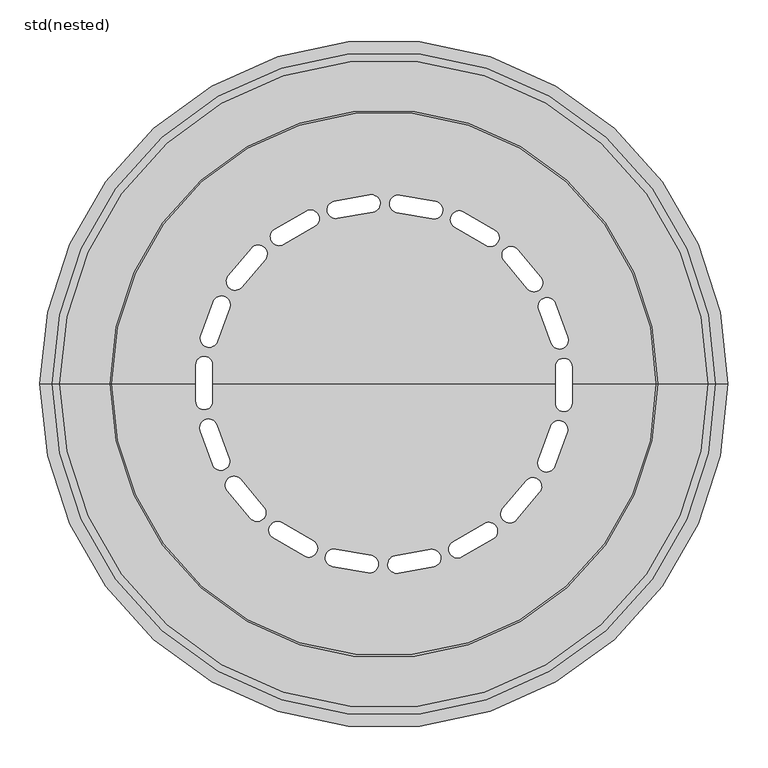
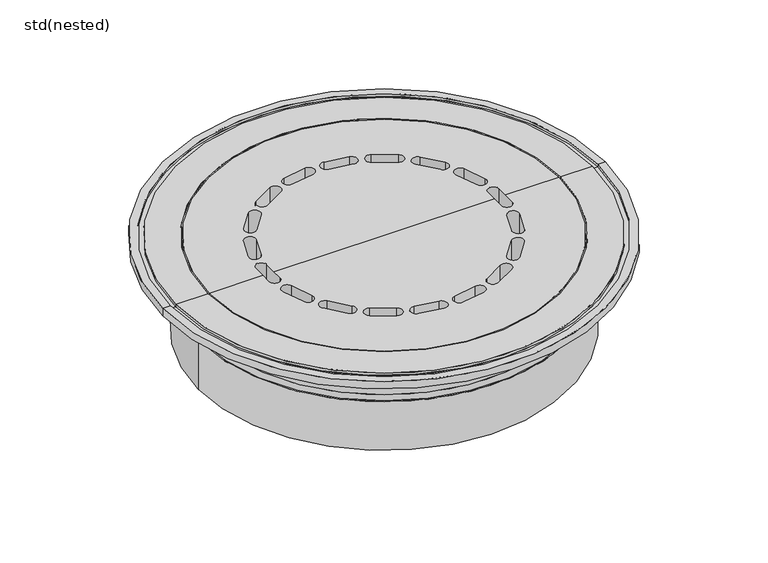
"""IFC4 building model written with IfcOpenShell, lengths in millimetres: sanitary terminal geometry, std(nested)."""

from ifc_helpers import new_model, si_unit, frame, origin, place, context, project, spatial, polyline, circle_curve, source, transform, mapped, element, save
from ifc_brep_helpers import plane_surface, cylinder_surface, revolved_surface, advanced_brep


def std_nested_5d9bacd1(model_context):
    return source(origin(), model_context, "Body", "AdvancedBrep", [
        advanced_brep(
        [(302.5, 0.0, -50.0), (-302.5, 0.0, -50.0), (-340.0, 0.0, -50.0), (340.0, 0.0, -50.0), (302.5, 0.0, -94.7677946), (-302.5, 0.0, -94.7677946), (235.8458576, 0.0, -94.7677946), (235.8458576, 21.356506, -94.7677946), (213.8458576, 21.356506, -94.7677946), (213.8458576, 0.0, -94.7677946), (0.0, 0.0, -94.7677946), (-213.8458576, 0.0, -94.7677946), (-213.8458576, 23.643494, -94.7677946), (-235.8458576, 23.643494, -94.7677946), (-235.8458576, 0.0, -94.7677946), (-17.6699072, 236.3684787, -94.7677946), (-61.9862561, 228.5543107, -94.7677946), (-58.1659962, 206.8885402, -94.7677946), (-13.8496473, 214.7027082, -94.7677946), (-97.4470624, 216.0702511, -94.7677946), (-136.4182055, 193.5702511, -94.7677946), (-125.4182055, 174.5176922, -94.7677946), (-86.4470624, 197.0176922, -94.7677946), (-165.4706637, 169.7107623, -94.7677946), (-194.3961061, 135.2387623, -94.7677946), (-177.5431283, 121.0974349, -94.7677946), (-148.6176859, 155.5694348, -94.7677946), (-213.5360608, 102.8816509, -94.7677946), (-228.9269673, 60.5954829, -94.7677946), (-208.2537296, 53.0710398, -94.7677946), (-192.8628232, 95.3572077, -94.7677946), (229.7091632, 58.4464172, -94.7677946), (214.3182568, 100.7325851, -94.7677946), (193.6450191, 93.208142, -94.7677946), (209.0359256, 50.921974, -94.7677946), (195.8661536, 133.4868279, -94.7677946), (166.9407112, 167.9588278, -94.7677946), (150.0877335, 153.8175004, -94.7677946), (179.0131759, 119.3455005, -94.7677946), (138.3987952, 192.4267571, -94.7677946), (99.4276521, 214.9267571, -94.7677946), (88.4276521, 195.8741982, -94.7677946), (127.3987952, 173.3741982, -94.7677946), (64.2384996, 228.1571794, -94.7677946), (19.9221507, 235.9713474, -94.7677946), (16.1018908, 214.3055769, -94.7677946), (60.4182397, 206.4914089, -94.7677946), (-235.8458576, -21.356506, -94.7677946), (-213.8458576, -21.356506, -94.7677946), (213.8458576, -23.643494, -94.7677946), (235.8458576, -23.643494, -94.7677946), (-229.7091632, -58.4464172, -94.7677946), (-214.3182568, -100.7325851, -94.7677946), (-193.6450191, -93.208142, -94.7677946), (-209.0359256, -50.921974, -94.7677946), (-195.8661536, -133.4868279, -94.7677946), (-166.9407112, -167.9588278, -94.7677946), (-150.0877335, -153.8175004, -94.7677946), (-179.0131759, -119.3455005, -94.7677946), (-138.3987952, -192.4267571, -94.7677946), (-99.4276521, -214.9267571, -94.7677946), (-88.4276521, -195.8741982, -94.7677946), (-127.3987952, -173.3741982, -94.7677946), (-64.2384996, -228.1571794, -94.7677946), (-19.9221507, -235.9713474, -94.7677946), (-16.1018908, -214.3055769, -94.7677946), (-60.4182397, -206.4914089, -94.7677946), (17.6699072, -236.3684787, -94.7677946), (61.9862561, -228.5543107, -94.7677946), (58.1659962, -206.8885402, -94.7677946), (13.8496473, -214.7027082, -94.7677946), (97.4470624, -216.0702511, -94.7677946), (136.4182055, -193.5702511, -94.7677946), (125.4182055, -174.5176922, -94.7677946), (86.4470624, -197.0176922, -94.7677946), (165.4706637, -169.7107623, -94.7677946), (194.3961061, -135.2387623, -94.7677946), (177.5431283, -121.0974349, -94.7677946), (148.6176859, -155.5694348, -94.7677946), (213.5360608, -102.8816509, -94.7677946), (228.9269673, -60.5954829, -94.7677946), (208.2537296, -53.0710398, -94.7677946), (192.8628232, -95.3572077, -94.7677946), (340.0, 0.0, 0.0), (-340.0, 0.0, 0.0), (-235.8458576, 0.0, 0.0), (-235.8458576, 23.643494, 0.0), (-213.8458576, 23.643494, 0.0), (-213.8458576, 0.0, 0.0), (0.0, 0.0, 0.0), (213.8458576, 0.0, 0.0), (213.8458576, 21.356506, 0.0), (235.8458576, 21.356506, 0.0), (235.8458576, 0.0, 0.0), (-61.9862561, 228.5543107, 0.0), (-17.6699072, 236.3684787, 0.0), (-13.8496473, 214.7027082, 0.0), (-58.1659962, 206.8885402, 0.0), (-136.4182055, 193.5702511, 0.0), (-97.4470624, 216.0702511, 0.0), (-86.4470624, 197.0176922, 0.0), (-125.4182055, 174.5176922, 0.0), (-194.3961061, 135.2387623, 0.0), (-165.4706637, 169.7107623, 0.0), (-148.6176859, 155.5694348, 0.0), (-177.5431283, 121.0974349, 0.0), (-228.9269673, 60.5954829, 0.0), (-213.5360608, 102.8816509, 0.0), (-192.8628232, 95.3572077, 0.0), (-208.2537296, 53.0710398, 0.0), (214.3182568, 100.7325851, 0.0), (229.7091632, 58.4464172, 0.0), (209.0359256, 50.921974, 0.0), (193.6450191, 93.208142, 0.0), (166.9407112, 167.9588278, 0.0), (195.8661536, 133.4868279, 0.0), (179.0131759, 119.3455005, 0.0), (150.0877335, 153.8175004, 0.0), (99.4276521, 214.9267571, 0.0), (138.3987952, 192.4267571, 0.0), (127.3987952, 173.3741982, 0.0), (88.4276521, 195.8741982, 0.0), (19.9221507, 235.9713474, 0.0), (64.2384996, 228.1571794, 0.0), (60.4182397, 206.4914089, 0.0), (16.1018908, 214.3055769, 0.0), (235.8458576, -23.643494, 0.0), (213.8458576, -23.643494, 0.0), (-213.8458576, -21.356506, 0.0), (-235.8458576, -21.356506, 0.0), (-214.3182568, -100.7325851, 0.0), (-229.7091632, -58.4464172, 0.0), (-209.0359256, -50.921974, 0.0), (-193.6450191, -93.208142, 0.0), (-166.9407112, -167.9588278, 0.0), (-195.8661536, -133.4868279, 0.0), (-179.0131759, -119.3455005, 0.0), (-150.0877335, -153.8175004, 0.0), (-99.4276521, -214.9267571, 0.0), (-138.3987952, -192.4267571, 0.0), (-127.3987952, -173.3741982, 0.0), (-88.4276521, -195.8741982, 0.0), (-19.9221507, -235.9713474, 0.0), (-64.2384996, -228.1571794, 0.0), (-60.4182397, -206.4914089, 0.0), (-16.1018908, -214.3055769, 0.0), (61.9862561, -228.5543107, 0.0), (17.6699072, -236.3684787, 0.0), (13.8496473, -214.7027082, 0.0), (58.1659962, -206.8885402, 0.0), (136.4182055, -193.5702511, 0.0), (97.4470624, -216.0702511, 0.0), (86.4470624, -197.0176922, 0.0), (125.4182055, -174.5176922, 0.0), (194.3961061, -135.2387623, 0.0), (165.4706637, -169.7107623, 0.0), (148.6176859, -155.5694348, 0.0), (177.5431283, -121.0974349, 0.0), (228.9269673, -60.5954829, 0.0), (213.5360608, -102.8816509, 0.0), (192.8628232, -95.3572077, 0.0), (208.2537296, -53.0710398, 0.0)],
        [
            (0, 1, circle_curve(frame((0.0, 0.0, -50.0), z_axis=(0.0, 0.0, 1.0), x_axis=(-1.0, 0.0, 0.0)), 302.5)),
            (1, 2),
            (2, 3, circle_curve(frame((0.0, 0.0, -50.0), z_axis=(0.0, 0.0, -1.0), x_axis=(-1.0, 0.0, 0.0)), 340.0)),
            (3, 0),
            (1, 0, circle_curve(frame((0.0, 0.0, -50.0), z_axis=(0.0, 0.0, 1.0), x_axis=(-1.0, 0.0, 0.0)), 302.5)),
            (3, 2, circle_curve(frame((0.0, 0.0, -50.0), z_axis=(0.0, 0.0, -1.0), x_axis=(-1.0, 0.0, 0.0)), 340.0)),
            (0, 4),
            (4, 5, circle_curve(frame((0.0, 0.0, -94.7677946), z_axis=(0.0, 0.0, 1.0), x_axis=(-1.0, 0.0, 0.0)), 302.5)),
            (5, 1),
            (5, 4, circle_curve(frame((0.0, 0.0, -94.7677946), z_axis=(0.0, 0.0, 1.0), x_axis=(-1.0, 0.0, 0.0)), 302.5)),
            (4, 6),
            (6, 7),
            (7, 8, circle_curve(frame((224.8458576, 21.356506, -94.7677946), z_axis=(0.0, 0.0, 1.0), x_axis=(0.5000000000000374, 0.8660254037844171, 0.0)), 11.0)),
            (8, 9),
            (9, 10),
            (10, 11),
            (11, 12),
            (12, 13, circle_curve(frame((-224.8458576, 23.643494, -94.7677946), z_axis=(0.0, 0.0, 1.0), x_axis=(-0.5000000000000231, -0.8660254037844253, 0.0)), 11.0)),
            (13, 14),
            (14, 5),
            (15, 16),
            (16, 17, circle_curve(frame((-60.0761261, 217.7214254, -94.7677946), z_axis=(0.0, 0.0, 1.0), x_axis=(-0.9396926207858995, 0.34202014332569325, 0.0)), 11.0)),
            (17, 18),
            (18, 15, circle_curve(frame((-15.7597772, 225.5355934, -94.7677946), z_axis=(0.0, 0.0, 1.0), x_axis=(-0.9396926207858995, 0.34202014332569325, 0.0)), 11.0)),
            (19, 20),
            (20, 21, circle_curve(frame((-130.9182055, 184.0439716, -94.7677946), z_axis=(0.0, 0.0, 1.0), x_axis=(-1.0, 0.0, 0.0)), 11.0)),
            (21, 22),
            (22, 19, circle_curve(frame((-91.9470624, 206.5439716, -94.7677946), z_axis=(0.0, 0.0, 1.0), x_axis=(-1.0, 0.0, 0.0)), 11.0)),
            (23, 24),
            (24, 25, circle_curve(frame((-185.9696172, 128.1680986, -94.7677946), z_axis=(0.0, 0.0, 1.0), x_axis=(-0.9396926207859174, -0.34202014332564423, 0.0)), 11.0)),
            (25, 26),
            (26, 23, circle_curve(frame((-157.0441748, 162.6400985, -94.7677946), z_axis=(0.0, 0.0, 1.0), x_axis=(-0.9396926207859174, -0.34202014332564423, 0.0)), 11.0)),
            (27, 28),
            (28, 29, circle_curve(frame((-218.5903484, 56.8332613, -94.7677946), z_axis=(0.0, 0.0, 1.0), x_axis=(-0.7660444431189948, -0.6427876096865193, 0.0)), 11.0)),
            (29, 30),
            (30, 27, circle_curve(frame((-203.199442, 99.1194293, -94.7677946), z_axis=(0.0, 0.0, 1.0), x_axis=(-0.7660444431189948, -0.6427876096865193, 0.0)), 11.0)),
            (31, 32),
            (32, 33, circle_curve(frame((203.981638, 96.9703635, -94.7677946), z_axis=(0.0, 0.0, 1.0), x_axis=(0.17364817766697244, 0.9848077530122008, 0.0)), 11.0)),
            (33, 34),
            (34, 31, circle_curve(frame((219.3725444, 54.6841956, -94.7677946), z_axis=(0.0, 0.0, 1.0), x_axis=(0.17364817766697244, 0.9848077530122008, 0.0)), 11.0)),
            (35, 36),
            (36, 37, circle_curve(frame((158.5142223, 160.8881641, -94.7677946), z_axis=(0.0, 0.0, 1.0), x_axis=(-0.17364817766688778, 0.9848077530122157, 0.0)), 11.0)),
            (37, 38),
            (38, 35, circle_curve(frame((187.4396648, 126.4161642, -94.7677946), z_axis=(0.0, 0.0, 1.0), x_axis=(-0.17364817766688778, 0.9848077530122157, 0.0)), 11.0)),
            (39, 40),
            (40, 41, circle_curve(frame((93.9276521, 205.4004776, -94.7677946), z_axis=(0.0, 0.0, 1.0), x_axis=(-0.4999999999999623, 0.8660254037844604, 0.0)), 11.0)),
            (41, 42),
            (42, 39, circle_curve(frame((132.8987952, 182.9004776, -94.7677946), z_axis=(0.0, 0.0, 1.0), x_axis=(-0.4999999999999623, 0.8660254037844604, 0.0)), 11.0)),
            (43, 44),
            (44, 45, circle_curve(frame((18.0120207, 225.1384621, -94.7677946), z_axis=(0.0, 0.0, 1.0), x_axis=(-0.766044443118958, 0.6427876096865633, 0.0)), 11.0)),
            (45, 46),
            (46, 43, circle_curve(frame((62.3283696, 217.3242941, -94.7677946), z_axis=(0.0, 0.0, 1.0), x_axis=(-0.766044443118958, 0.6427876096865633, 0.0)), 11.0)),
            (14, 47),
            (47, 48, circle_curve(frame((-224.8458576, -21.356506, -94.7677946), z_axis=(0.0, 0.0, 1.0), x_axis=(-0.5000000000000231, -0.8660254037844253, 0.0)), 11.0)),
            (48, 11),
            (9, 49),
            (49, 50, circle_curve(frame((224.8458576, -23.643494, -94.7677946), z_axis=(0.0, 0.0, 1.0), x_axis=(0.5000000000000374, 0.8660254037844171, 0.0)), 11.0)),
            (50, 6),
            (51, 52),
            (52, 53, circle_curve(frame((-203.981638, -96.9703635, -94.7677946), z_axis=(0.0, 0.0, 1.0), x_axis=(-0.1736481776669569, -0.9848077530122035, 0.0)), 11.0)),
            (53, 54),
            (54, 51, circle_curve(frame((-219.3725444, -54.6841956, -94.7677946), z_axis=(0.0, 0.0, 1.0), x_axis=(-0.1736481776669569, -0.9848077530122035, 0.0)), 11.0)),
            (55, 56),
            (56, 57, circle_curve(frame((-158.5142223, -160.8881641, -94.7677946), z_axis=(0.0, 0.0, 1.0), x_axis=(0.17364817766690338, -0.9848077530122129, 0.0)), 11.0)),
            (57, 58),
            (58, 55, circle_curve(frame((-187.4396648, -126.4161642, -94.7677946), z_axis=(0.0, 0.0, 1.0), x_axis=(0.17364817766690338, -0.9848077530122129, 0.0)), 11.0)),
            (59, 60),
            (60, 61, circle_curve(frame((-93.9276521, -205.4004776, -94.7677946), z_axis=(0.0, 0.0, 1.0), x_axis=(0.4999999999999759, -0.8660254037844527, 0.0)), 11.0)),
            (61, 62),
            (62, 59, circle_curve(frame((-132.8987952, -182.9004776, -94.7677946), z_axis=(0.0, 0.0, 1.0), x_axis=(0.4999999999999759, -0.8660254037844527, 0.0)), 11.0)),
            (63, 64),
            (64, 65, circle_curve(frame((-18.0120207, -225.1384621, -94.7677946), z_axis=(0.0, 0.0, 1.0), x_axis=(0.7660444431189559, -0.6427876096865658, 0.0)), 11.0)),
            (65, 66),
            (66, 63, circle_curve(frame((-62.3283696, -217.3242941, -94.7677946), z_axis=(0.0, 0.0, 1.0), x_axis=(0.7660444431189559, -0.6427876096865658, 0.0)), 11.0)),
            (67, 68),
            (68, 69, circle_curve(frame((60.0761261, -217.7214254, -94.7677946), z_axis=(0.0, 0.0, 1.0), x_axis=(0.9396926207858944, -0.34202014332570735, 0.0)), 11.0)),
            (69, 70),
            (70, 67, circle_curve(frame((15.7597772, -225.5355934, -94.7677946), z_axis=(0.0, 0.0, 1.0), x_axis=(0.9396926207858944, -0.34202014332570735, 0.0)), 11.0)),
            (71, 72),
            (72, 73, circle_curve(frame((130.9182055, -184.0439716, -94.7677946), z_axis=(0.0, 0.0, 1.0), x_axis=(1.0, 0.0, 0.0)), 11.0)),
            (73, 74),
            (74, 71, circle_curve(frame((91.9470624, -206.5439716, -94.7677946), z_axis=(0.0, 0.0, 1.0), x_axis=(1.0, 0.0, 0.0)), 11.0)),
            (75, 76),
            (76, 77, circle_curve(frame((185.9696172, -128.1680986, -94.7677946), z_axis=(0.0, 0.0, 1.0), x_axis=(0.939692620785923, 0.34202014332562886, 0.0)), 11.0)),
            (77, 78),
            (78, 75, circle_curve(frame((157.0441748, -162.6400985, -94.7677946), z_axis=(0.0, 0.0, 1.0), x_axis=(0.939692620785923, 0.34202014332562886, 0.0)), 11.0)),
            (79, 80),
            (80, 81, circle_curve(frame((218.5903484, -56.8332613, -94.7677946), z_axis=(0.0, 0.0, 1.0), x_axis=(0.766044443119005, 0.6427876096865074, 0.0)), 11.0)),
            (81, 82),
            (82, 79, circle_curve(frame((203.199442, -99.1194293, -94.7677946), z_axis=(0.0, 0.0, 1.0), x_axis=(0.766044443119005, 0.6427876096865074, 0.0)), 11.0)),
            (83, 84, circle_curve(frame((0.0, 0.0, 0.0), z_axis=(0.0, 0.0, 1.0), x_axis=(-1.0, 0.0, 0.0)), 340.0)),
            (84, 85),
            (85, 86),
            (86, 87, circle_curve(frame((-224.8458576, 23.643494, 0.0), z_axis=(0.0, 0.0, -1.0), x_axis=(-0.5000000000000231, -0.8660254037844253, 0.0)), 11.0)),
            (87, 88),
            (88, 89),
            (89, 90),
            (90, 91),
            (91, 92, circle_curve(frame((224.8458576, 21.356506, 0.0), z_axis=(0.0, 0.0, -1.0), x_axis=(0.5000000000000374, 0.8660254037844171, 0.0)), 11.0)),
            (92, 93),
            (93, 83),
            (94, 95),
            (95, 96, circle_curve(frame((-15.7597772, 225.5355934, 0.0), z_axis=(0.0, 0.0, -1.0), x_axis=(-0.9396926207858995, 0.34202014332569325, 0.0)), 11.0)),
            (96, 97),
            (97, 94, circle_curve(frame((-60.0761261, 217.7214254, 0.0), z_axis=(0.0, 0.0, -1.0), x_axis=(-0.9396926207858995, 0.34202014332569325, 0.0)), 11.0)),
            (98, 99),
            (99, 100, circle_curve(frame((-91.9470624, 206.5439716, 0.0), z_axis=(0.0, 0.0, -1.0), x_axis=(-1.0, 0.0, 0.0)), 11.0)),
            (100, 101),
            (101, 98, circle_curve(frame((-130.9182055, 184.0439716, 0.0), z_axis=(0.0, 0.0, -1.0), x_axis=(-1.0, 0.0, 0.0)), 11.0)),
            (102, 103),
            (103, 104, circle_curve(frame((-157.0441748, 162.6400985, 0.0), z_axis=(0.0, 0.0, -1.0), x_axis=(-0.9396926207859174, -0.34202014332564423, 0.0)), 11.0)),
            (104, 105),
            (105, 102, circle_curve(frame((-185.9696172, 128.1680986, 0.0), z_axis=(0.0, 0.0, -1.0), x_axis=(-0.9396926207859174, -0.34202014332564423, 0.0)), 11.0)),
            (106, 107),
            (107, 108, circle_curve(frame((-203.199442, 99.1194293, 0.0), z_axis=(0.0, 0.0, -1.0), x_axis=(-0.7660444431189948, -0.6427876096865193, 0.0)), 11.0)),
            (108, 109),
            (109, 106, circle_curve(frame((-218.5903484, 56.8332613, 0.0), z_axis=(0.0, 0.0, -1.0), x_axis=(-0.7660444431189948, -0.6427876096865193, 0.0)), 11.0)),
            (110, 111),
            (111, 112, circle_curve(frame((219.3725444, 54.6841956, 0.0), z_axis=(0.0, 0.0, -1.0), x_axis=(0.17364817766697244, 0.9848077530122008, 0.0)), 11.0)),
            (112, 113),
            (113, 110, circle_curve(frame((203.981638, 96.9703635, 0.0), z_axis=(0.0, 0.0, -1.0), x_axis=(0.17364817766697244, 0.9848077530122008, 0.0)), 11.0)),
            (114, 115),
            (115, 116, circle_curve(frame((187.4396648, 126.4161642, 0.0), z_axis=(0.0, 0.0, -1.0), x_axis=(-0.17364817766688778, 0.9848077530122157, 0.0)), 11.0)),
            (116, 117),
            (117, 114, circle_curve(frame((158.5142223, 160.8881641, 0.0), z_axis=(0.0, 0.0, -1.0), x_axis=(-0.17364817766688778, 0.9848077530122157, 0.0)), 11.0)),
            (118, 119),
            (119, 120, circle_curve(frame((132.8987952, 182.9004776, 0.0), z_axis=(0.0, 0.0, -1.0), x_axis=(-0.4999999999999623, 0.8660254037844604, 0.0)), 11.0)),
            (120, 121),
            (121, 118, circle_curve(frame((93.9276521, 205.4004776, 0.0), z_axis=(0.0, 0.0, -1.0), x_axis=(-0.4999999999999623, 0.8660254037844604, 0.0)), 11.0)),
            (122, 123),
            (123, 124, circle_curve(frame((62.3283696, 217.3242941, 0.0), z_axis=(0.0, 0.0, -1.0), x_axis=(-0.766044443118958, 0.6427876096865633, 0.0)), 11.0)),
            (124, 125),
            (125, 122, circle_curve(frame((18.0120207, 225.1384621, 0.0), z_axis=(0.0, 0.0, -1.0), x_axis=(-0.766044443118958, 0.6427876096865633, 0.0)), 11.0)),
            (84, 83, circle_curve(frame((0.0, 0.0, 0.0), z_axis=(0.0, 0.0, 1.0), x_axis=(-1.0, 0.0, 0.0)), 340.0)),
            (93, 126),
            (126, 127, circle_curve(frame((224.8458576, -23.643494, 0.0), z_axis=(0.0, 0.0, -1.0), x_axis=(0.5000000000000374, 0.8660254037844171, 0.0)), 11.0)),
            (127, 90),
            (88, 128),
            (128, 129, circle_curve(frame((-224.8458576, -21.356506, 0.0), z_axis=(0.0, 0.0, -1.0), x_axis=(-0.5000000000000231, -0.8660254037844253, 0.0)), 11.0)),
            (129, 85),
            (130, 131),
            (131, 132, circle_curve(frame((-219.3725444, -54.6841956, 0.0), z_axis=(0.0, 0.0, -1.0), x_axis=(-0.1736481776669569, -0.9848077530122035, 0.0)), 11.0)),
            (132, 133),
            (133, 130, circle_curve(frame((-203.981638, -96.9703635, 0.0), z_axis=(0.0, 0.0, -1.0), x_axis=(-0.1736481776669569, -0.9848077530122035, 0.0)), 11.0)),
            (134, 135),
            (135, 136, circle_curve(frame((-187.4396648, -126.4161642, 0.0), z_axis=(0.0, 0.0, -1.0), x_axis=(0.17364817766690338, -0.9848077530122129, 0.0)), 11.0)),
            (136, 137),
            (137, 134, circle_curve(frame((-158.5142223, -160.8881641, 0.0), z_axis=(0.0, 0.0, -1.0), x_axis=(0.17364817766690338, -0.9848077530122129, 0.0)), 11.0)),
            (138, 139),
            (139, 140, circle_curve(frame((-132.8987952, -182.9004776, 0.0), z_axis=(0.0, 0.0, -1.0), x_axis=(0.4999999999999759, -0.8660254037844527, 0.0)), 11.0)),
            (140, 141),
            (141, 138, circle_curve(frame((-93.9276521, -205.4004776, 0.0), z_axis=(0.0, 0.0, -1.0), x_axis=(0.4999999999999759, -0.8660254037844527, 0.0)), 11.0)),
            (142, 143),
            (143, 144, circle_curve(frame((-62.3283696, -217.3242941, 0.0), z_axis=(0.0, 0.0, -1.0), x_axis=(0.7660444431189559, -0.6427876096865658, 0.0)), 11.0)),
            (144, 145),
            (145, 142, circle_curve(frame((-18.0120207, -225.1384621, 0.0), z_axis=(0.0, 0.0, -1.0), x_axis=(0.7660444431189559, -0.6427876096865658, 0.0)), 11.0)),
            (146, 147),
            (147, 148, circle_curve(frame((15.7597772, -225.5355934, 0.0), z_axis=(0.0, 0.0, -1.0), x_axis=(0.9396926207858944, -0.34202014332570735, 0.0)), 11.0)),
            (148, 149),
            (149, 146, circle_curve(frame((60.0761261, -217.7214254, 0.0), z_axis=(0.0, 0.0, -1.0), x_axis=(0.9396926207858944, -0.34202014332570735, 0.0)), 11.0)),
            (150, 151),
            (151, 152, circle_curve(frame((91.9470624, -206.5439716, 0.0), z_axis=(0.0, 0.0, -1.0), x_axis=(1.0, 0.0, 0.0)), 11.0)),
            (152, 153),
            (153, 150, circle_curve(frame((130.9182055, -184.0439716, 0.0), z_axis=(0.0, 0.0, -1.0), x_axis=(1.0, 0.0, 0.0)), 11.0)),
            (154, 155),
            (155, 156, circle_curve(frame((157.0441748, -162.6400985, 0.0), z_axis=(0.0, 0.0, -1.0), x_axis=(0.939692620785923, 0.34202014332562886, 0.0)), 11.0)),
            (156, 157),
            (157, 154, circle_curve(frame((185.9696172, -128.1680986, 0.0), z_axis=(0.0, 0.0, -1.0), x_axis=(0.939692620785923, 0.34202014332562886, 0.0)), 11.0)),
            (158, 159),
            (159, 160, circle_curve(frame((203.199442, -99.1194293, 0.0), z_axis=(0.0, 0.0, -1.0), x_axis=(0.766044443119005, 0.6427876096865074, 0.0)), 11.0)),
            (160, 161),
            (161, 158, circle_curve(frame((218.5903484, -56.8332613, 0.0), z_axis=(0.0, 0.0, -1.0), x_axis=(0.766044443119005, 0.6427876096865074, 0.0)), 11.0)),
            (2, 84),
            (83, 3),
            (15, 95),
            (94, 16),
            (97, 17),
            (96, 18),
            (19, 99),
            (98, 20),
            (101, 21),
            (100, 22),
            (23, 103),
            (102, 24),
            (105, 25),
            (104, 26),
            (27, 107),
            (106, 28),
            (109, 29),
            (108, 30),
            (13, 86),
            (129, 47),
            (128, 48),
            (87, 12),
            (51, 131),
            (130, 52),
            (133, 53),
            (132, 54),
            (55, 135),
            (134, 56),
            (137, 57),
            (136, 58),
            (59, 139),
            (138, 60),
            (141, 61),
            (140, 62),
            (63, 143),
            (142, 64),
            (145, 65),
            (144, 66),
            (67, 147),
            (146, 68),
            (149, 69),
            (148, 70),
            (71, 151),
            (150, 72),
            (153, 73),
            (152, 74),
            (75, 155),
            (154, 76),
            (157, 77),
            (156, 78),
            (79, 159),
            (158, 80),
            (161, 81),
            (160, 82),
            (50, 126),
            (92, 7),
            (91, 8),
            (127, 49),
            (31, 111),
            (110, 32),
            (113, 33),
            (112, 34),
            (35, 115),
            (114, 36),
            (117, 37),
            (116, 38),
            (39, 119),
            (118, 40),
            (121, 41),
            (120, 42),
            (43, 123),
            (122, 44),
            (125, 45),
            (124, 46),
        ],
        [
            plane_surface(frame((0.0, 0.0, -50.0), z_axis=(0.0, 0.0, -1.0), x_axis=(-1.0, 0.0, 0.0))),
            cylinder_surface(frame((0.0, 0.0, 760.0), z_axis=(0.0, 0.0, -1.0), x_axis=(-1.0, 0.0, 0.0)), 302.5),
            plane_surface(frame((0.0, 0.0, -94.7677946), z_axis=(0.0, 0.0, -1.0), x_axis=(-1.0, 0.0, 0.0))),
            plane_surface(frame((0.0, 0.0, 0.0), z_axis=(0.0, 0.0, 1.0), x_axis=(-1.0, 0.0, 0.0))),
            cylinder_surface(frame((0.0, 0.0, 760.0), z_axis=(0.0, 0.0, -1.0), x_axis=(-1.0, 0.0, 0.0)), 340.0),
            plane_surface(frame((-17.6699072, 236.3684787, 1.0), z_axis=(0.17364817766690385, -0.9848077530122128, 0.0), x_axis=(0.0, 0.0, -1.0))),
            revolved_surface(polyline([(-70.4127449286449, 221.4836469765826, 2.842170943040401e-14), (-70.4127449286449, 221.4836469765826, -94.7677946)]), (-60.0761261, 217.7214254, -94.7677946), (0.0, 0.0, 1.0000000000000002)),
            plane_surface(frame((-58.1659962, 206.8885402, 1.0), z_axis=(-0.17364817766690446, 0.9848077530122127, 0.0), x_axis=(0.0, 0.0, -1.0))),
            revolved_surface(polyline([(-26.096396028644897, 229.29781497658263, 2.842170943040401e-14), (-26.096396028644897, 229.29781497658263, -94.7677946)]), (-15.7597772, 225.5355934, -94.7677946), (0.0, 0.0, 1.0000000000000002)),
            plane_surface(frame((-97.4470624, 216.0702511, 1.0), z_axis=(0.4999999999999766, -0.8660254037844521, 0.0), x_axis=(0.0, 0.0, -1.0))),
            revolved_surface(polyline([(-141.9182055, 184.0439716, 0.0), (-141.9182055, 184.0439716, -94.7677946)]), (-130.9182055, 184.0439716, -94.7677946), (0.0, 0.0, 1.0)),
            plane_surface(frame((-125.4182055, 174.5176922, 1.0), z_axis=(-0.4999999999999775, 0.8660254037844517, 0.0), x_axis=(0.0, 0.0, -1.0))),
            revolved_surface(polyline([(-102.9470624, 206.5439716, 0.0), (-102.9470624, 206.5439716, -94.7677946)]), (-91.9470624, 206.5439716, -94.7677946), (0.0, 0.0, 1.0)),
            plane_surface(frame((-165.4706637, 169.7107623, 1.0), z_axis=(0.7660444431189605, -0.6427876096865602, 0.0), x_axis=(0.0, 0.0, -1.0))),
            revolved_surface(polyline([(-196.3062360286451, 124.40587702341791, 2.842170943040401e-14), (-196.3062360286451, 124.40587702341791, -94.7677946)]), (-185.9696172, 128.1680986, -94.7677946), (0.0, 0.0, 1.0000000000000002)),
            plane_surface(frame((-177.5431283, 121.0974349, 1.0), z_axis=(-0.7660444431189618, 0.6427876096865587, 0.0), x_axis=(0.0, 0.0, -1.0))),
            revolved_surface(polyline([(-167.3807936286451, 158.87787692341792, 2.842170943040401e-14), (-167.3807936286451, 158.87787692341792, -94.7677946)]), (-157.0441748, 162.6400985, -94.7677946), (0.0, 0.0, 1.0000000000000002)),
            plane_surface(frame((-213.5360608, 102.8816509, 1.0), z_axis=(0.939692620785899, -0.3420201433256946, 0.0), x_axis=(0.0, 0.0, -1.0))),
            revolved_surface(polyline([(-227.01683727430895, 49.762597593448284, -2.842170943040401e-14), (-227.01683727430895, 49.762597593448284, -94.7677946)]), (-218.5903484, 56.8332613, -94.7677946), (0.0, 0.0, 0.9999999999999998)),
            plane_surface(frame((-208.2537296, 53.0710398, 1.0), z_axis=(-0.9396926207858998, 0.34202014332569264, 0.0), x_axis=(0.0, 0.0, -1.0))),
            revolved_surface(polyline([(-211.62593087430895, 92.04876559344828, -2.842170943040401e-14), (-211.62593087430895, 92.04876559344828, -94.7677946)]), (-203.199442, 99.1194293, -94.7677946), (0.0, 0.0, 0.9999999999999998)),
            plane_surface(frame((-235.8458576, 23.643494, 1.0), z_axis=(1.0, 0.0, 0.0), x_axis=(0.0, 0.0, -1.0))),
            revolved_surface(polyline([(-230.34585760000024, -30.882785441628677, -2.842170943040401e-14), (-230.34585760000024, -30.882785441628677, -94.7677946)]), (-224.8458576, -21.356506, -94.7677946), (0.0, 0.0, 0.9999999999999999)),
            plane_surface(frame((-213.8458576, -21.356506, 1.0), z_axis=(-1.0, 0.0, 0.0), x_axis=(0.0, 0.0, -1.0))),
            revolved_surface(polyline([(-230.34585760000024, 14.117214558371323, -2.842170943040401e-14), (-230.34585760000024, 14.117214558371323, -94.7677946)]), (-224.8458576, 23.643494, -94.7677946), (0.0, 0.0, 0.9999999999999999)),
            plane_surface(frame((-229.7091632, -58.4464172, 1.0), z_axis=(0.9396926207859182, 0.34202014332564196, 0.0), x_axis=(0.0, 0.0, -1.0))),
            revolved_surface(polyline([(-205.89176795433653, -107.80324878313425, 2.842170943040401e-14), (-205.89176795433653, -107.80324878313425, -94.7677946)]), (-203.981638, -96.9703635, -94.7677946), (0.0, 0.0, 1.0000000000000002)),
            plane_surface(frame((-193.6450191, -93.208142, 1.0), z_axis=(-0.9396926207859175, -0.3420201433256436, 0.0), x_axis=(0.0, 0.0, -1.0))),
            revolved_surface(polyline([(-221.28267435433654, -65.51708088313424, 2.842170943040401e-14), (-221.28267435433654, -65.51708088313424, -94.7677946)]), (-219.3725444, -54.6841956, -94.7677946), (0.0, 0.0, 1.0000000000000002)),
            plane_surface(frame((-195.8661536, -133.4868279, 1.0), z_axis=(0.7660444431189969, 0.6427876096865169, 0.0), x_axis=(0.0, 0.0, -1.0))),
            revolved_surface(polyline([(-156.60409234566407, -171.72104938313436, 2.842170943040401e-14), (-156.60409234566407, -171.72104938313436, -94.7677946)]), (-158.5142223, -160.8881641, -94.7677946), (0.0, 0.0, 1.0000000000000002)),
            plane_surface(frame((-150.0877335, -153.8175004, 1.0), z_axis=(-0.7660444431189957, -0.6427876096865184, 0.0), x_axis=(0.0, 0.0, -1.0))),
            revolved_surface(polyline([(-185.52953484566407, -137.24904948313434, 2.842170943040401e-14), (-185.52953484566407, -137.24904948313434, -94.7677946)]), (-187.4396648, -126.4161642, -94.7677946), (0.0, 0.0, 1.0000000000000002)),
            plane_surface(frame((-138.3987952, -192.4267571, 1.0), z_axis=(0.5000000000000249, 0.8660254037844243, 0.0), x_axis=(0.0, 0.0, -1.0))),
            revolved_surface(polyline([(-88.42765210000027, -214.92675704162897, 2.842170943040401e-14), (-88.42765210000027, -214.92675704162897, -94.7677946)]), (-93.9276521, -205.4004776, -94.7677946), (0.0, 0.0, 1.0000000000000002)),
            plane_surface(frame((-88.4276521, -195.8741982, 1.0), z_axis=(-0.5000000000000246, -0.8660254037844245, 0.0), x_axis=(0.0, 0.0, -1.0))),
            revolved_surface(polyline([(-127.39879520000027, -192.42675704162897, 2.842170943040401e-14), (-127.39879520000027, -192.42675704162897, -94.7677946)]), (-132.8987952, -182.9004776, -94.7677946), (0.0, 0.0, 1.0000000000000002)),
            plane_surface(frame((-64.2384996, -228.1571794, 1.0), z_axis=(0.17364817766696555, 0.9848077530122019, 0.0), x_axis=(0.0, 0.0, -1.0))),
            revolved_surface(polyline([(-9.585531825691486, -232.2091258065522, 0.0), (-9.585531825691486, -232.2091258065522, -94.7677946)]), (-18.0120207, -225.1384621, -94.7677946), (0.0, 0.0, 1.0)),
            plane_surface(frame((-16.1018908, -214.3055769, 1.0), z_axis=(-0.17364817766696405, -0.9848077530122021, 0.0), x_axis=(0.0, 0.0, -1.0))),
            revolved_surface(polyline([(-53.901880725691484, -224.3949578065522, 0.0), (-53.901880725691484, -224.3949578065522, -94.7677946)]), (-62.3283696, -217.3242941, -94.7677946), (0.0, 0.0, 1.0)),
            plane_surface(frame((17.6699072, -236.3684787, 1.0), z_axis=(-0.1736481776668888, 0.9848077530122155, 0.0), x_axis=(0.0, 0.0, -1.0))),
            revolved_surface(polyline([(70.41274492864484, -221.48364697658278, 2.842170943040401e-14), (70.41274492864484, -221.48364697658278, -94.7677946)]), (60.0761261, -217.7214254, -94.7677946), (0.0, 0.0, 1.0000000000000002)),
            plane_surface(frame((58.1659962, -206.8885402, 1.0), z_axis=(0.17364817766689025, -0.9848077530122151, 0.0), x_axis=(0.0, 0.0, -1.0))),
            revolved_surface(polyline([(26.09639602864484, -229.2978149765828, 2.842170943040401e-14), (26.09639602864484, -229.2978149765828, -94.7677946)]), (15.7597772, -225.5355934, -94.7677946), (0.0, 0.0, 1.0000000000000002)),
            plane_surface(frame((97.4470624, -216.0702511, 1.0), z_axis=(-0.49999999999996186, 0.8660254037844607, 0.0), x_axis=(0.0, 0.0, -1.0))),
            revolved_surface(polyline([(141.9182055, -184.0439716, 0.0), (141.9182055, -184.0439716, -94.7677946)]), (130.9182055, -184.0439716, -94.7677946), (0.0, 0.0, 1.0)),
            plane_surface(frame((125.4182055, -174.5176922, 1.0), z_axis=(0.49999999999996353, -0.8660254037844597, 0.0), x_axis=(0.0, 0.0, -1.0))),
            revolved_surface(polyline([(102.9470624, -206.5439716, 0.0), (102.9470624, -206.5439716, -94.7677946)]), (91.9470624, -206.5439716, -94.7677946), (0.0, 0.0, 1.0)),
            plane_surface(frame((165.4706637, -169.7107623, 1.0), z_axis=(-0.7660444431189494, 0.6427876096865737, 0.0), x_axis=(0.0, 0.0, -1.0))),
            revolved_surface(polyline([(196.30623602864515, -124.40587702341809, 2.842170943040401e-14), (196.30623602864515, -124.40587702341809, -94.7677946)]), (185.9696172, -128.1680986, -94.7677946), (0.0, 0.0, 1.0000000000000002)),
            plane_surface(frame((177.5431283, -121.0974349, 1.0), z_axis=(0.7660444431189507, -0.6427876096865719, 0.0), x_axis=(0.0, 0.0, -1.0))),
            revolved_surface(polyline([(167.38079362864516, -158.87787692341809, 2.842170943040401e-14), (167.38079362864516, -158.87787692341809, -94.7677946)]), (157.0441748, -162.6400985, -94.7677946), (0.0, 0.0, 1.0000000000000002)),
            plane_surface(frame((213.5360608, -102.8816509, 1.0), z_axis=(-0.939692620785894, 0.3420201433257084, 0.0), x_axis=(0.0, 0.0, -1.0))),
            revolved_surface(polyline([(227.01683727430907, -49.76259759344842, 2.842170943040401e-14), (227.01683727430907, -49.76259759344842, -94.7677946)]), (218.5903484, -56.8332613, -94.7677946), (0.0, 0.0, 1.0000000000000002)),
            plane_surface(frame((208.2537296, -53.0710398, 1.0), z_axis=(0.9396926207858938, -0.342020143325709, 0.0), x_axis=(0.0, 0.0, -1.0))),
            revolved_surface(polyline([(211.62593087430906, -92.04876559344841, 2.842170943040401e-14), (211.62593087430906, -92.04876559344841, -94.7677946)]), (203.199442, -99.1194293, -94.7677946), (0.0, 0.0, 1.0000000000000002)),
            plane_surface(frame((235.8458576, -23.643494, 1.0), z_axis=(-1.0, 0.0, 0.0), x_axis=(0.0, 0.0, -1.0))),
            revolved_surface(polyline([(230.3458576000004, 30.882785441628588, 0.0), (230.3458576000004, 30.882785441628588, -94.7677946)]), (224.8458576, 21.356506, -94.7677946), (0.0, 0.0, 1.0)),
            plane_surface(frame((213.8458576, 21.356506, 1.0), z_axis=(1.0, 0.0, 0.0), x_axis=(0.0, 0.0, -1.0))),
            revolved_surface(polyline([(230.3458576000004, -14.117214558371412, 0.0), (230.3458576000004, -14.117214558371412, -94.7677946)]), (224.8458576, -23.643494, -94.7677946), (0.0, 0.0, 1.0)),
            plane_surface(frame((229.7091632, 58.4464172, 1.0), z_axis=(-0.9396926207859237, -0.34202014332562675, 0.0), x_axis=(0.0, 0.0, -1.0))),
            revolved_surface(polyline([(205.8917679543367, 107.80324878313421, 2.842170943040401e-14), (205.8917679543367, 107.80324878313421, -94.7677946)]), (203.981638, 96.9703635, -94.7677946), (0.0, 0.0, 1.0000000000000002)),
            plane_surface(frame((193.6450191, 93.208142, 1.0), z_axis=(0.9396926207859231, 0.3420201433256284, 0.0), x_axis=(0.0, 0.0, -1.0))),
            revolved_surface(polyline([(221.2826743543367, 65.51708088313421, 2.842170943040401e-14), (221.2826743543367, 65.51708088313421, -94.7677946)]), (219.3725444, 54.6841956, -94.7677946), (0.0, 0.0, 1.0000000000000002)),
            plane_surface(frame((195.8661536, 133.4868279, 1.0), z_axis=(-0.7660444431190063, -0.6427876096865057, 0.0), x_axis=(0.0, 0.0, -1.0))),
            revolved_surface(polyline([(156.60409234566424, 171.72104938313439, 2.842170943040401e-14), (156.60409234566424, 171.72104938313439, -94.7677946)]), (158.5142223, 160.8881641, -94.7677946), (0.0, 0.0, 1.0000000000000002)),
            plane_surface(frame((150.0877335, 153.8175004, 1.0), z_axis=(0.7660444431190057, 0.6427876096865065, 0.0), x_axis=(0.0, 0.0, -1.0))),
            revolved_surface(polyline([(185.52953484566424, 137.24904948313437, 2.842170943040401e-14), (185.52953484566424, 137.24904948313437, -94.7677946)]), (187.4396648, 126.4161642, -94.7677946), (0.0, 0.0, 1.0000000000000002)),
            plane_surface(frame((138.3987952, 192.4267571, 1.0), z_axis=(-0.5000000000000391, -0.8660254037844162, 0.0), x_axis=(0.0, 0.0, -1.0))),
            revolved_surface(polyline([(88.42765210000042, 214.92675704162906, 0.0), (88.42765210000042, 214.92675704162906, -94.7677946)]), (93.9276521, 205.4004776, -94.7677946), (0.0, 0.0, 1.0)),
            plane_surface(frame((88.4276521, 195.8741982, 1.0), z_axis=(0.5000000000000381, 0.8660254037844167, 0.0), x_axis=(0.0, 0.0, -1.0))),
            revolved_surface(polyline([(127.39879520000041, 192.42675704162906, 0.0), (127.39879520000041, 192.42675704162906, -94.7677946)]), (132.8987952, 182.9004776, -94.7677946), (0.0, 0.0, 1.0)),
            plane_surface(frame((64.2384996, 228.1571794, 1.0), z_axis=(-0.17364817766696317, -0.9848077530122022, 0.0), x_axis=(0.0, 0.0, -1.0))),
            revolved_surface(polyline([(9.585531825691463, 232.2091258065522, 2.842170943040401e-14), (9.585531825691463, 232.2091258065522, -94.7677946)]), (18.0120207, 225.1384621, -94.7677946), (0.0, 0.0, 1.0000000000000002)),
            plane_surface(frame((16.1018908, 214.3055769, 1.0), z_axis=(0.17364817766696172, 0.9848077530122026, 0.0), x_axis=(0.0, 0.0, -1.0))),
            revolved_surface(polyline([(53.90188072569146, 224.3949578065522, 2.842170943040401e-14), (53.90188072569146, 224.3949578065522, -94.7677946)]), (62.3283696, 217.3242941, -94.7677946), (0.0, 0.0, 1.0000000000000002)),
        ],
        [
            (0, [[1, 2, 3, 4]]),
            (0, [[-2, 5, -4, 6]]),
            (1, [[-1, 7, 8, 9]]),
            (1, [[-5, -9, 10, -7]]),
            (2, [[-8, 11, 12, 13, 14, 15, 16, 17, 18, 19, 20], [21, 22, 23, 24], [25, 26, 27, 28], [29, 30, 31, 32], [33, 34, 35, 36], [37, 38, 39, 40], [41, 42, 43, 44], [45, 46, 47, 48], [49, 50, 51, 52]]),
            (2, [[-10, -20, 53, 54, 55, -16, -15, 56, 57, 58, -11], [59, 60, 61, 62], [63, 64, 65, 66], [67, 68, 69, 70], [71, 72, 73, 74], [75, 76, 77, 78], [79, 80, 81, 82], [83, 84, 85, 86], [87, 88, 89, 90]]),
            (3, [[91, 92, 93, 94, 95, 96, 97, 98, 99, 100, 101], [102, 103, 104, 105], [106, 107, 108, 109], [110, 111, 112, 113], [114, 115, 116, 117], [118, 119, 120, 121], [122, 123, 124, 125], [126, 127, 128, 129], [130, 131, 132, 133]]),
            (3, [[134, -101, 135, 136, 137, -97, -96, 138, 139, 140, -92], [141, 142, 143, 144], [145, 146, 147, 148], [149, 150, 151, 152], [153, 154, 155, 156], [157, 158, 159, 160], [161, 162, 163, 164], [165, 166, 167, 168], [169, 170, 171, 172]]),
            (4, [[-3, 173, -91, 174]]),
            (4, [[-6, -174, -134, -173]]),
            (5, [[175, -102, 176, -21]]),
            (6, [[-176, -105, 177, -22]]),
            (7, [[-177, -104, 178, -23]]),
            (8, [[-175, -24, -178, -103]]),
            (9, [[179, -106, 180, -25]]),
            (10, [[-180, -109, 181, -26]]),
            (11, [[-181, -108, 182, -27]]),
            (12, [[-179, -28, -182, -107]]),
            (13, [[183, -110, 184, -29]]),
            (14, [[-184, -113, 185, -30]]),
            (15, [[-185, -112, 186, -31]]),
            (16, [[-183, -32, -186, -111]]),
            (17, [[187, -114, 188, -33]]),
            (18, [[-188, -117, 189, -34]]),
            (19, [[-189, -116, 190, -35]]),
            (20, [[-187, -36, -190, -115]]),
            (21, [[191, -93, -140, 192, -53, -19]]),
            (22, [[-192, -139, 193, -54]]),
            (23, [[-193, -138, -95, 194, -17, -55]]),
            (24, [[-191, -18, -194, -94]]),
            (25, [[195, -141, 196, -59]]),
            (26, [[-196, -144, 197, -60]]),
            (27, [[-197, -143, 198, -61]]),
            (28, [[-195, -62, -198, -142]]),
            (29, [[199, -145, 200, -63]]),
            (30, [[-200, -148, 201, -64]]),
            (31, [[-201, -147, 202, -65]]),
            (32, [[-199, -66, -202, -146]]),
            (33, [[203, -149, 204, -67]]),
            (34, [[-204, -152, 205, -68]]),
            (35, [[-205, -151, 206, -69]]),
            (36, [[-203, -70, -206, -150]]),
            (37, [[207, -153, 208, -71]]),
            (38, [[-208, -156, 209, -72]]),
            (39, [[-209, -155, 210, -73]]),
            (40, [[-207, -74, -210, -154]]),
            (41, [[211, -157, 212, -75]]),
            (42, [[-212, -160, 213, -76]]),
            (43, [[-213, -159, 214, -77]]),
            (44, [[-211, -78, -214, -158]]),
            (45, [[215, -161, 216, -79]]),
            (46, [[-216, -164, 217, -80]]),
            (47, [[-217, -163, 218, -81]]),
            (48, [[-215, -82, -218, -162]]),
            (49, [[219, -165, 220, -83]]),
            (50, [[-220, -168, 221, -84]]),
            (51, [[-221, -167, 222, -85]]),
            (52, [[-219, -86, -222, -166]]),
            (53, [[223, -169, 224, -87]]),
            (54, [[-224, -172, 225, -88]]),
            (55, [[-225, -171, 226, -89]]),
            (56, [[-223, -90, -226, -170]]),
            (57, [[227, -135, -100, 228, -12, -58]]),
            (58, [[-228, -99, 229, -13]]),
            (59, [[-229, -98, -137, 230, -56, -14]]),
            (60, [[-227, -57, -230, -136]]),
            (61, [[231, -118, 232, -37]]),
            (62, [[-232, -121, 233, -38]]),
            (63, [[-233, -120, 234, -39]]),
            (64, [[-231, -40, -234, -119]]),
            (65, [[235, -122, 236, -41]]),
            (66, [[-236, -125, 237, -42]]),
            (67, [[-237, -124, 238, -43]]),
            (68, [[-235, -44, -238, -123]]),
            (69, [[239, -126, 240, -45]]),
            (70, [[-240, -129, 241, -46]]),
            (71, [[-241, -128, 242, -47]]),
            (72, [[-239, -48, -242, -127]]),
            (73, [[243, -130, 244, -49]]),
            (74, [[-244, -133, 245, -50]]),
            (75, [[-245, -132, 246, -51]]),
            (76, [[-243, -52, -246, -131]]),
        ],
    ),
        advanced_brep(
        [(360.5, 0.0, -190.0), (-360.5, 0.0, -190.0), (-360.5, 0.0, -90.0), (360.5, 0.0, -90.0), (354.0, 0.0, -190.0), (-354.0, 0.0, -190.0), (354.0, 0.0, -104.5186602), (-354.0, 0.0, -104.5186602), (358.0133052, 0.0, -90.0), (-358.0133052, 0.0, -90.0)],
        [
            (0, 1, circle_curve(frame((0.0, 0.0, -190.0), z_axis=(0.0, 0.0, 1.0), x_axis=(-1.0, 0.0, 0.0)), 360.5)),
            (1, 2),
            (2, 3, circle_curve(frame((0.0, 0.0, -90.0), z_axis=(0.0, 0.0, -1.0), x_axis=(-1.0, 0.0, 0.0)), 360.5)),
            (3, 0),
            (1, 0, circle_curve(frame((0.0, 0.0, -190.0), z_axis=(0.0, 0.0, 1.0), x_axis=(-1.0, 0.0, 0.0)), 360.5)),
            (3, 2, circle_curve(frame((0.0, 0.0, -90.0), z_axis=(0.0, 0.0, -1.0), x_axis=(-1.0, 0.0, 0.0)), 360.5)),
            (4, 5, circle_curve(frame((0.0, 0.0, -190.0), z_axis=(0.0, 0.0, 1.0), x_axis=(-1.0, 0.0, 0.0)), 354.0)),
            (5, 1),
            (0, 4),
            (5, 4, circle_curve(frame((0.0, 0.0, -190.0), z_axis=(0.0, 0.0, 1.0), x_axis=(-1.0, 0.0, 0.0)), 354.0)),
            (6, 7, circle_curve(frame((0.0, 0.0, -104.5186602), z_axis=(0.0, 0.0, 1.0), x_axis=(-1.0, 0.0, 0.0)), 354.0)),
            (7, 5),
            (4, 6),
            (7, 6, circle_curve(frame((0.0, 0.0, -104.5186602), z_axis=(0.0, 0.0, 1.0), x_axis=(-1.0, 0.0, 0.0)), 354.0)),
            (8, 9, circle_curve(frame((0.0, 0.0, -90.0), z_axis=(0.0, 0.0, 1.0), x_axis=(-1.0, 0.0, 0.0)), 358.0133052)),
            (9, 7),
            (6, 8),
            (9, 8, circle_curve(frame((0.0, 0.0, -90.0), z_axis=(0.0, 0.0, 1.0), x_axis=(-1.0, 0.0, 0.0)), 358.0133052)),
            (2, 9),
            (8, 3),
        ],
        [
            cylinder_surface(frame((0.0, 0.0, 389.5186602), z_axis=(0.0, 0.0, -1.0), x_axis=(-1.0, 0.0, 0.0)), 360.5),
            plane_surface(frame((0.0, 0.0, -190.0), z_axis=(0.0, 0.0, -1.0), x_axis=(-1.0, 0.0, 0.0))),
            revolved_surface(polyline([(-354.0, 0.0, -190.0), (-354.0, 0.0, -104.5186602)]), (0.0, 0.0, 389.5186602), (0.0, 0.0, -1.0)),
            revolved_surface(polyline([(-354.0, 0.0, -104.5186602), (-358.0133052, 0.0, -90.0)]), (0.0, 0.0, 389.5186602), (0.0, 0.0, -1.0)),
            plane_surface(frame((0.0, 0.0, -90.0), z_axis=(0.0, 0.0, 1.0), x_axis=(-1.0, 0.0, 0.0))),
        ],
        [
            (0, [[1, 2, 3, 4]]),
            (0, [[5, -4, 6, -2]]),
            (1, [[7, 8, -1, 9]]),
            (1, [[10, -9, -5, -8]]),
            (2, [[11, 12, -7, 13]]),
            (2, [[14, -13, -10, -12]]),
            (3, [[15, 16, -11, 17]]),
            (3, [[18, -17, -14, -16]]),
            (4, [[-3, 19, -15, 20]]),
            (4, [[-6, -20, -18, -19]]),
        ],
    ),
        advanced_brep(
        [(430.0, 0.0, 0.0), (-430.0, 0.0, 0.0), (-415.0, 0.0, 0.0), (415.0, 0.0, 0.0), (430.0, 0.0, -15.0), (-430.0, 0.0, -15.0), (352.7230242, 0.0, -15.0), (-352.7230242, 0.0, -15.0), (352.7230242, 0.0, -35.6814835), (-352.7230242, 0.0, -35.6814835), (347.5, 0.0, -85.0), (-347.5, 0.0, -85.0), (347.5, 0.0, -140.0), (-347.5, 0.0, -140.0), (339.0, 0.0, -140.0), (-339.0, 0.0, -140.0), (339.0, 0.0, -43.0), (-339.0, 0.0, -43.0), (303.6522733, 0.0, -43.0), (-303.6522733, 0.0, -43.0), (303.6522733, 0.0, -22.0), (-303.6522733, 0.0, -22.0), (316.4314699, 0.0, -22.0), (-316.4314699, 0.0, -22.0), (316.4314699, 0.0, -30.0), (-316.4314699, 0.0, -30.0), (342.7, 0.0, -30.0), (-342.7, 0.0, -30.0), (342.7, 0.0, 0.0), (-342.7, 0.0, 0.0), (405.0, 0.0, 0.0), (-405.0, 0.0, 0.0), (405.0, 0.0, -5.0), (-405.0, 0.0, -5.0), (415.0, 0.0, -5.0), (-415.0, 0.0, -5.0)],
        [
            (0, 1, circle_curve(frame((0.0, 0.0, 0.0), z_axis=(0.0, 0.0, 1.0), x_axis=(-1.0, 0.0, 0.0)), 430.0)),
            (1, 2),
            (2, 3, circle_curve(frame((0.0, 0.0, 0.0), z_axis=(0.0, 0.0, -1.0), x_axis=(-1.0, 0.0, 0.0)), 415.0)),
            (3, 0),
            (1, 0, circle_curve(frame((0.0, 0.0, 0.0), z_axis=(0.0, 0.0, 1.0), x_axis=(-1.0, 0.0, 0.0)), 430.0)),
            (3, 2, circle_curve(frame((0.0, 0.0, 0.0), z_axis=(0.0, 0.0, -1.0), x_axis=(-1.0, 0.0, 0.0)), 415.0)),
            (4, 5, circle_curve(frame((0.0, 0.0, -15.0), z_axis=(0.0, 0.0, 1.0), x_axis=(-1.0, 0.0, 0.0)), 430.0)),
            (5, 1),
            (0, 4),
            (5, 4, circle_curve(frame((0.0, 0.0, -15.0), z_axis=(0.0, 0.0, 1.0), x_axis=(-1.0, 0.0, 0.0)), 430.0)),
            (6, 7, circle_curve(frame((0.0, 0.0, -15.0), z_axis=(0.0, 0.0, 1.0), x_axis=(-1.0, 0.0, 0.0)), 352.7230242)),
            (7, 5),
            (4, 6),
            (7, 6, circle_curve(frame((0.0, 0.0, -15.0), z_axis=(0.0, 0.0, 1.0), x_axis=(-1.0, 0.0, 0.0)), 352.7230242)),
            (8, 9, circle_curve(frame((0.0, 0.0, -35.6814835), z_axis=(0.0, 0.0, 1.0), x_axis=(-1.0, 0.0, 0.0)), 352.7230242)),
            (9, 7),
            (6, 8),
            (9, 8, circle_curve(frame((0.0, 0.0, -35.6814835), z_axis=(0.0, 0.0, 1.0), x_axis=(-1.0, 0.0, 0.0)), 352.7230242)),
            (10, 11, circle_curve(frame((0.0, 0.0, -85.0), z_axis=(0.0, 0.0, 1.0), x_axis=(-1.0, 0.0, 0.0)), 347.5)),
            (11, 9),
            (8, 10),
            (11, 10, circle_curve(frame((0.0, 0.0, -85.0), z_axis=(0.0, 0.0, 1.0), x_axis=(-1.0, 0.0, 0.0)), 347.5)),
            (12, 13, circle_curve(frame((0.0, 0.0, -140.0), z_axis=(0.0, 0.0, 1.0), x_axis=(-1.0, 0.0, 0.0)), 347.5)),
            (13, 11),
            (10, 12),
            (13, 12, circle_curve(frame((0.0, 0.0, -140.0), z_axis=(0.0, 0.0, 1.0), x_axis=(-1.0, 0.0, 0.0)), 347.5)),
            (14, 15, circle_curve(frame((0.0, 0.0, -140.0), z_axis=(0.0, 0.0, 1.0), x_axis=(-1.0, 0.0, 0.0)), 339.0)),
            (15, 13),
            (12, 14),
            (15, 14, circle_curve(frame((0.0, 0.0, -140.0), z_axis=(0.0, 0.0, 1.0), x_axis=(-1.0, 0.0, 0.0)), 339.0)),
            (16, 17, circle_curve(frame((0.0, 0.0, -43.0), z_axis=(0.0, 0.0, 1.0), x_axis=(-1.0, 0.0, 0.0)), 339.0)),
            (17, 15),
            (14, 16),
            (17, 16, circle_curve(frame((0.0, 0.0, -43.0), z_axis=(0.0, 0.0, 1.0), x_axis=(-1.0, 0.0, 0.0)), 339.0)),
            (18, 19, circle_curve(frame((0.0, 0.0, -43.0), z_axis=(0.0, 0.0, 1.0), x_axis=(-1.0, 0.0, 0.0)), 303.6522733)),
            (19, 17),
            (16, 18),
            (19, 18, circle_curve(frame((0.0, 0.0, -43.0), z_axis=(0.0, 0.0, 1.0), x_axis=(-1.0, 0.0, 0.0)), 303.6522733)),
            (20, 21, circle_curve(frame((0.0, 0.0, -22.0), z_axis=(0.0, 0.0, 1.0), x_axis=(-1.0, 0.0, 0.0)), 303.6522733)),
            (21, 19),
            (18, 20),
            (21, 20, circle_curve(frame((0.0, 0.0, -22.0), z_axis=(0.0, 0.0, 1.0), x_axis=(-1.0, 0.0, 0.0)), 303.6522733)),
            (22, 23, circle_curve(frame((0.0, 0.0, -22.0), z_axis=(0.0, 0.0, 1.0), x_axis=(-1.0, 0.0, 0.0)), 316.4314699)),
            (23, 21),
            (20, 22),
            (23, 22, circle_curve(frame((0.0, 0.0, -22.0), z_axis=(0.0, 0.0, 1.0), x_axis=(-1.0, 0.0, 0.0)), 316.4314699)),
            (24, 25, circle_curve(frame((0.0, 0.0, -30.0), z_axis=(0.0, 0.0, 1.0), x_axis=(-1.0, 0.0, 0.0)), 316.4314699)),
            (25, 23),
            (22, 24),
            (25, 24, circle_curve(frame((0.0, 0.0, -30.0), z_axis=(0.0, 0.0, 1.0), x_axis=(-1.0, 0.0, 0.0)), 316.4314699)),
            (26, 27, circle_curve(frame((0.0, 0.0, -30.0), z_axis=(0.0, 0.0, 1.0), x_axis=(-1.0, 0.0, 0.0)), 342.7)),
            (27, 25),
            (24, 26),
            (27, 26, circle_curve(frame((0.0, 0.0, -30.0), z_axis=(0.0, 0.0, 1.0), x_axis=(-1.0, 0.0, 0.0)), 342.7)),
            (28, 29, circle_curve(frame((0.0, 0.0, 0.0), z_axis=(0.0, 0.0, 1.0), x_axis=(-1.0, 0.0, 0.0)), 342.7)),
            (29, 27),
            (26, 28),
            (29, 28, circle_curve(frame((0.0, 0.0, 0.0), z_axis=(0.0, 0.0, 1.0), x_axis=(-1.0, 0.0, 0.0)), 342.7)),
            (30, 31, circle_curve(frame((0.0, 0.0, 0.0), z_axis=(0.0, 0.0, 1.0), x_axis=(-1.0, 0.0, 0.0)), 405.0)),
            (31, 29),
            (28, 30),
            (31, 30, circle_curve(frame((0.0, 0.0, 0.0), z_axis=(0.0, 0.0, 1.0), x_axis=(-1.0, 0.0, 0.0)), 405.0)),
            (32, 33, circle_curve(frame((0.0, 0.0, -5.0), z_axis=(0.0, 0.0, 1.0), x_axis=(-1.0, 0.0, 0.0)), 405.0)),
            (33, 31),
            (30, 32),
            (33, 32, circle_curve(frame((0.0, 0.0, -5.0), z_axis=(0.0, 0.0, 1.0), x_axis=(-1.0, 0.0, 0.0)), 405.0)),
            (34, 35, circle_curve(frame((0.0, 0.0, -5.0), z_axis=(0.0, 0.0, 1.0), x_axis=(-1.0, 0.0, 0.0)), 415.0)),
            (35, 33),
            (32, 34),
            (35, 34, circle_curve(frame((0.0, 0.0, -5.0), z_axis=(0.0, 0.0, 1.0), x_axis=(-1.0, 0.0, 0.0)), 415.0)),
            (2, 35),
            (34, 3),
        ],
        [
            plane_surface(frame((0.0, 0.0, 0.0), z_axis=(0.0, 0.0, 1.0), x_axis=(-1.0, 0.0, 0.0))),
            cylinder_surface(frame((0.0, 0.0, 220.0), z_axis=(0.0, 0.0, -1.0), x_axis=(-1.0, 0.0, 0.0)), 430.0),
            plane_surface(frame((0.0, 0.0, -15.0), z_axis=(0.0, 0.0, -1.0), x_axis=(-1.0, 0.0, 0.0))),
            cylinder_surface(frame((0.0, 0.0, 220.0), z_axis=(0.0, 0.0, -1.0), x_axis=(-1.0, 0.0, 0.0)), 352.7230242),
            revolved_surface(polyline([(-352.7230242, 0.0, -35.6814835), (-347.5, 0.0, -85.0)]), (0.0, 0.0, 220.0), (0.0, 0.0, -1.0)),
            cylinder_surface(frame((0.0, 0.0, 220.0), z_axis=(0.0, 0.0, -1.0), x_axis=(-1.0, 0.0, 0.0)), 347.5),
            plane_surface(frame((0.0, 0.0, -140.0), z_axis=(0.0, 0.0, -1.0), x_axis=(-1.0, 0.0, 0.0))),
            revolved_surface(polyline([(-339.0, 0.0, -140.0), (-339.0, 0.0, -43.0)]), (0.0, 0.0, 220.0), (0.0, 0.0, -1.0)),
            plane_surface(frame((0.0, 0.0, -43.0), z_axis=(0.0, 0.0, -1.0), x_axis=(-1.0, 0.0, 0.0))),
            revolved_surface(polyline([(-303.6522733, 0.0, -43.0), (-303.6522733, 0.0, -22.0)]), (0.0, 0.0, 220.0), (0.0, 0.0, -1.0)),
            plane_surface(frame((0.0, 0.0, -22.0), z_axis=(0.0, 0.0, 1.0), x_axis=(-1.0, 0.0, 0.0))),
            cylinder_surface(frame((0.0, 0.0, 220.0), z_axis=(0.0, 0.0, -1.0), x_axis=(-1.0, 0.0, 0.0)), 316.4314699),
            plane_surface(frame((0.0, 0.0, -30.0), z_axis=(0.0, 0.0, 1.0), x_axis=(-1.0, 0.0, 0.0))),
            revolved_surface(polyline([(-342.7, 0.0, -30.0), (-342.7, 0.0, 0.0)]), (0.0, 0.0, 220.0), (0.0, 0.0, -1.0)),
            cylinder_surface(frame((0.0, 0.0, 220.0), z_axis=(0.0, 0.0, -1.0), x_axis=(-1.0, 0.0, 0.0)), 405.0),
            plane_surface(frame((0.0, 0.0, -5.0), z_axis=(0.0, 0.0, 1.0), x_axis=(-1.0, 0.0, 0.0))),
            revolved_surface(polyline([(-415.0, 0.0, -5.0), (-415.0, 0.0, 0.0)]), (0.0, 0.0, 220.0), (0.0, 0.0, -1.0)),
        ],
        [
            (0, [[1, 2, 3, 4]]),
            (0, [[5, -4, 6, -2]]),
            (1, [[7, 8, -1, 9]]),
            (1, [[10, -9, -5, -8]]),
            (2, [[11, 12, -7, 13]]),
            (2, [[14, -13, -10, -12]]),
            (3, [[15, 16, -11, 17]]),
            (3, [[18, -17, -14, -16]]),
            (4, [[19, 20, -15, 21]]),
            (4, [[22, -21, -18, -20]]),
            (5, [[23, 24, -19, 25]]),
            (5, [[26, -25, -22, -24]]),
            (6, [[27, 28, -23, 29]]),
            (6, [[30, -29, -26, -28]]),
            (7, [[31, 32, -27, 33]]),
            (7, [[34, -33, -30, -32]]),
            (8, [[35, 36, -31, 37]]),
            (8, [[38, -37, -34, -36]]),
            (9, [[39, 40, -35, 41]]),
            (9, [[42, -41, -38, -40]]),
            (10, [[43, 44, -39, 45]]),
            (10, [[46, -45, -42, -44]]),
            (11, [[47, 48, -43, 49]]),
            (11, [[50, -49, -46, -48]]),
            (12, [[51, 52, -47, 53]]),
            (12, [[54, -53, -50, -52]]),
            (13, [[55, 56, -51, 57]]),
            (13, [[58, -57, -54, -56]]),
            (0, [[59, 60, -55, 61]]),
            (0, [[62, -61, -58, -60]]),
            (14, [[63, 64, -59, 65]]),
            (14, [[66, -65, -62, -64]]),
            (15, [[67, 68, -63, 69]]),
            (15, [[70, -69, -66, -68]]),
            (16, [[-3, 71, -67, 72]]),
            (16, [[-6, -72, -70, -71]]),
        ],
    ),
    ])


if __name__ == "__main__":
    model = new_model("IFC4")
    model_context = context("Model", 3, world=origin())
    ifc_project = project(units=[si_unit("LENGTHUNIT", "METRE", prefix="MILLI")], contexts=[model_context])
    site = spatial("IfcSite", under=ifc_project)
    building = spatial("IfcBuilding", under=site)
    placement = place(None, origin())
    std_nested_shape = std_nested_5d9bacd1(model_context)
    element("IfcSanitaryTerminal", 1, ObjectType="std(nested)", at=placement, inside=building, context=model_context, shape_type="MappedRepresentation", body=[
        mapped(std_nested_shape, transform((0.0, 0.0, 0.0), x_axis=(1.0, 0.0, 0.0), y_axis=(0.0, 1.0, 0.0), z_axis=(0.0, 0.0, 1.0))),
    ])
    save(model, "model.ifc")
